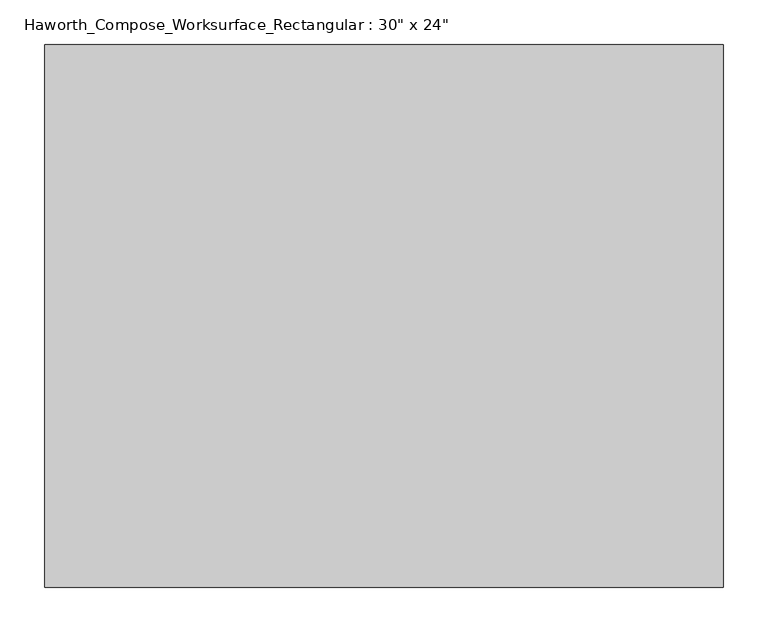
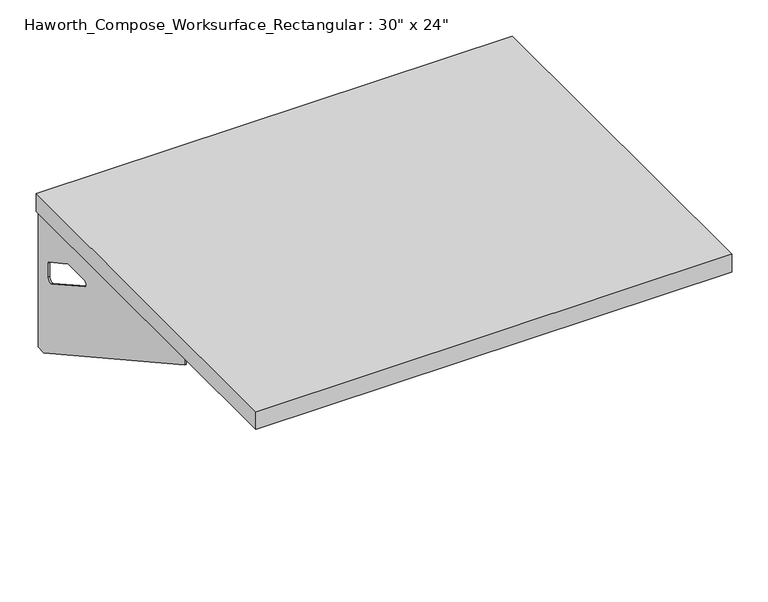
"""IFC4 building model written with IfcOpenShell, lengths in millimetres: furniture geometry."""

import ifcopenshell
import ifcopenshell.guid

model = None  # the IFC model being written
_history = None  # IfcOwnerHistory: only IFC2X3 demands one
_inside = {}  # id of a spatial element -> (the spatial element, [elements in it])
_under = {}  # id of a project, library or spatial element -> (it, [spatial elements below it])
_declared = {}  # id of a project -> (the project, [libraries it declares])
_typed = {}  # id of a type object -> (the type object, [elements of that type])
_made_of = {}  # id of a material, layer set ... -> (it, [elements and type objects made of it])


def new_model(schema):
    """Start an empty IFC model of exactly this schema.

    Asked for "IFC4X3", IfcOpenShell would pick the latest addendum, in which some entities
    have other attributes; the version numbers below select the first issue.
    IFC2X3 requires an IfcOwnerHistory on every rooted entity: one is made here for all.
    """
    global model, _history
    if schema == "IFC4X3":
        model = ifcopenshell.file(schema_version=(4, 3, 0, 0))
    else:
        model = ifcopenshell.file(schema=schema)
    _inside.clear()
    _under.clear()
    _declared.clear()
    _typed.clear()
    _made_of.clear()
    _history = None
    if model.schema == "IFC2X3":
        org = make("IfcOrganization", Name="unknown")
        user = make(
            "IfcPersonAndOrganization",
            ThePerson=make("IfcPerson", FamilyName="unknown"),
            TheOrganization=org,
        )
        app = make(
            "IfcApplication",
            ApplicationDeveloper=org,
            Version="unknown",
            ApplicationFullName="unknown",
            ApplicationIdentifier="unknown",
        )
        _history = make(
            "IfcOwnerHistory",
            OwningUser=user,
            OwningApplication=app,
            ChangeAction="ADDED",
            CreationDate=0,
        )
    return model


def make(cls, **values):
    """One entity of the class cls with the attributes given. An attribute that is None is left unset."""
    return model.create_entity(
        cls, **{name: value for name, value in values.items() if value is not None}
    )


def rooted(cls, **values):
    """An entity with a GlobalId (a new one), such as an element, a storey or a relation."""
    return make(cls, GlobalId=ifcopenshell.guid.new(), OwnerHistory=_history, **values)


def si_unit(unit_type, name, prefix=None):
    """IfcSIUnit, for example si_unit("LENGTHUNIT", "METRE", prefix="MILLI")."""
    return make("IfcSIUnit", UnitType=unit_type, Prefix=prefix, Name=name)


def assignment(units):
    """IfcUnitAssignment: the units of a project."""
    return None if units is None else make("IfcUnitAssignment", Units=units)


def point(xyz):
    """IfcCartesianPoint."""
    return None if xyz is None else make("IfcCartesianPoint", Coordinates=xyz)


def direction(xyz):
    """IfcDirection."""
    return None if xyz is None else make("IfcDirection", DirectionRatios=xyz)


def frame(location, z_axis=None, x_axis=None):
    """IfcAxis2Placement3D, a coordinate frame: its origin and axes. An axis left out is left unset."""
    return make(
        "IfcAxis2Placement3D",
        Location=point(location),
        Axis=direction(z_axis),
        RefDirection=direction(x_axis),
    )


def origin():
    """The frame at (0, 0, 0) with its axes left unset."""
    return frame((0.0, 0.0, 0.0))


def place(relative_to, where):
    """IfcLocalPlacement: puts the frame where relative to a parent placement (None: the world)."""
    return make(
        "IfcLocalPlacement", PlacementRelTo=relative_to, RelativePlacement=where
    )


def context(
    kind, dimensions, precision=None, world=None, true_north=None, identifier=None
):
    """IfcGeometricRepresentationContext, for example the 3D "Model" context."""
    return make(
        "IfcGeometricRepresentationContext",
        ContextIdentifier=identifier,
        ContextType=kind,
        CoordinateSpaceDimension=dimensions,
        Precision=precision,
        WorldCoordinateSystem=world,
        TrueNorth=true_north,
    )


def project(units=None, contexts=None):
    """IfcProject with its units and contexts."""
    return rooted(
        "IfcProject",
        Name="project",
        RepresentationContexts=contexts,
        UnitsInContext=assignment(units),
    )


def spatial(cls, under=None, at=None, **own):
    """A site, building, storey or space (cls), placed at a placement, below another one or the project."""
    s = rooted(cls, ObjectPlacement=at, **own)
    if under is not None:
        _under.setdefault(under.id(), (under, []))[1].append(s)
    return s


def polyline(points):
    """IfcPolyline through the points."""
    return make("IfcPolyline", Points=[point(p) for p in points])


def circle_curve(where, radius):
    """IfcCircle in the frame where."""
    return make("IfcCircle", Position=where, Radius=radius)


def outline(outer, holes=None, kind="AREA"):
    """IfcArbitraryClosedProfileDef: a profile drawn as a closed curve; with holes, ...WithVoids."""
    if holes is None:
        return make("IfcArbitraryClosedProfileDef", ProfileType=kind, OuterCurve=outer)
    return make(
        "IfcArbitraryProfileDefWithVoids",
        ProfileType=kind,
        OuterCurve=outer,
        InnerCurves=holes,
    )


def extrude(swept, where, along, depth):
    """IfcExtrudedAreaSolid: the profile swept, set in the frame where, extruded along a direction by depth."""
    return make(
        "IfcExtrudedAreaSolid",
        SweptArea=swept,
        Position=where,
        ExtrudedDirection=direction(along),
        Depth=depth,
    )


def shape(context_of_items, identifier, shape_type, items):
    """IfcShapeRepresentation: the items that make up one representation, for example the "Body"."""
    return make(
        "IfcShapeRepresentation",
        ContextOfItems=context_of_items,
        RepresentationIdentifier=identifier,
        RepresentationType=shape_type,
        Items=items,
    )


def source(mapping_origin, context_of_items, identifier, shape_type, items):
    """IfcRepresentationMap: a shape defined once, which mapped items show again and again."""
    return make(
        "IfcRepresentationMap",
        MappingOrigin=mapping_origin,
        MappedRepresentation=shape(context_of_items, identifier, shape_type, items),
    )


def transform(
    local_origin,
    x_axis=None,
    y_axis=None,
    z_axis=None,
    scale=None,
    scale2=None,
    scale3=None,
    uniform=True,
):
    """IfcCartesianTransformationOperator3D, or its non-uniform kind. x_axis, y_axis, z_axis: its Axis1, 2, 3."""
    if uniform:
        return make(
            "IfcCartesianTransformationOperator3D",
            Axis1=direction(x_axis),
            Axis2=direction(y_axis),
            LocalOrigin=point(local_origin),
            Scale=scale,
            Axis3=direction(z_axis),
        )
    return make(
        "IfcCartesianTransformationOperator3DnonUniform",
        Axis1=direction(x_axis),
        Axis2=direction(y_axis),
        LocalOrigin=point(local_origin),
        Scale=scale,
        Axis3=direction(z_axis),
        Scale2=scale2,
        Scale3=scale3,
    )


def mapped(mapping_source, mapping_target):
    """IfcMappedItem: shows the shape of a source again, moved by a transform."""
    return make(
        "IfcMappedItem", MappingSource=mapping_source, MappingTarget=mapping_target
    )


def made_of(thing, what):
    """Note that an element or type object is made of a material, layer set ...; save() writes the relation."""
    if what is not None:
        _made_of.setdefault(what.id(), (what, []))[1].append(thing)
    return thing


def element(
    cls,
    number,
    at=None,
    inside=None,
    cuts=None,
    type_object=None,
    material=None,
    context=None,
    identifier="Body",
    shape_type=None,
    held_by="IfcProductDefinitionShape",
    body=None,
    shapes=None,
    **own,
):
    """One element of the class cls, such as IfcWall. Its Tag is "e" and its number.

    at: its placement. inside: the storey or other place that contains it. cuts: it is an
    opening in that element (IfcRelVoidsElement). A single representation is given by context,
    identifier, shape_type and body (its items); several are given by shapes. held_by: the class
    of the entity that holds the representations. save() writes the other relations.
    """
    e = rooted(cls, Tag="e%d" % number, ObjectPlacement=at, **own)
    if body is not None:
        shapes = [shape(context, identifier, shape_type, body)]
    if shapes is not None:
        e.Representation = make(held_by, Representations=shapes)
    if inside is not None:
        _inside.setdefault(inside.id(), (inside, []))[1].append(e)
    if cuts is not None:
        rooted(
            "IfcRelVoidsElement", RelatingBuildingElement=cuts, RelatedOpeningElement=e
        )
    if type_object is not None:
        _typed.setdefault(type_object.id(), (type_object, []))[1].append(e)
    return made_of(e, material)


def aggregate(whole, parts):
    """IfcRelAggregates: a whole, such as a stair, and the parts it consists of."""
    return rooted("IfcRelAggregates", RelatingObject=whole, RelatedObjects=parts)


def save(model, path):
    """Write the relations noted so far, then the file.

    IfcRelAggregates (storeys below a building ...), IfcRelContainedInSpatialStructure (elements
    in a storey), IfcRelDefinesByType, IfcRelAssociatesMaterial and IfcRelDeclares: one each for
    every whole, place, type object, material and project.
    """
    for whole, parts in _under.values():
        aggregate(whole, parts)
    for where, things in _inside.values():
        rooted(
            "IfcRelContainedInSpatialStructure",
            RelatedElements=things,
            RelatingStructure=where,
        )
    for kind, things in _typed.values():
        rooted("IfcRelDefinesByType", RelatedObjects=things, RelatingType=kind)
    for what, things in _made_of.values():
        rooted("IfcRelAssociatesMaterial", RelatedObjects=things, RelatingMaterial=what)
    for by, libraries in _declared.values():
        rooted("IfcRelDeclares", RelatingContext=by, RelatedDefinitions=libraries)
    model.write(path)


def plane_surface(at):
    """IfcPlane: the flat surface through the origin of the frame at, square to its z axis."""
    return make("IfcPlane", Position=at)


def revolved_surface(curve, axis_point, axis_direction):
    """IfcSurfaceOfRevolution: the curve turned about the line through axis_point along axis_direction."""
    return make(
        "IfcSurfaceOfRevolution",
        SweptCurve=make("IfcArbitraryOpenProfileDef", ProfileType="CURVE", Curve=curve),
        AxisPosition=make("IfcAxis1Placement", Location=point(axis_point), Axis=direction(axis_direction)),
    )


def advanced_brep(points, edges, surfaces, faces):
    """IfcAdvancedBrep: a solid bounded by faces that lie on surfaces and meet in shared edges.

    An edge is (start, end): straight between two places in points (the first is 0);
    or (start, end, curve); or (start, end, curve, False) where it runs against its curve.
    A face is (place in surfaces, loops), or (place, loops, False) where it looks against
    its surface's normal. A loop lists edges by number (the first is 1), with a minus sign
    where the edge is run from its end to its start. The first loop is the outer one.
    """
    corners = [point(p) for p in points]
    vertices = [make("IfcVertexPoint", VertexGeometry=c) for c in corners]
    made = []
    for start, end, *more in edges:
        made.append(
            make(
                "IfcEdgeCurve",
                EdgeStart=vertices[start],
                EdgeEnd=vertices[end],
                EdgeGeometry=more[0] if more else make("IfcPolyline", Points=[corners[start], corners[end]]),
                SameSense=more[1] if len(more) > 1 else True,
            )
        )
    hull = []
    for where, loops, *sense in faces:
        bounds = []
        for j, loop in enumerate(loops):
            ring = [make("IfcOrientedEdge", EdgeElement=made[abs(k) - 1], Orientation=k > 0) for k in loop]
            bounds.append(
                make(
                    "IfcFaceOuterBound" if j == 0 else "IfcFaceBound",
                    Bound=make("IfcEdgeLoop", EdgeList=ring),
                    Orientation=True,
                )
            )
        hull.append(make("IfcAdvancedFace", Bounds=bounds, FaceSurface=surfaces[where], SameSense=sense[0] if sense else True))
    return make("IfcAdvancedBrep", Outer=make("IfcClosedShell", CfsFaces=hull))


def furniture_7ed81235(model_context):
    return source(origin(), model_context, "Body", "SolidModel", [
        advanced_brep(
        [(375.44375, 304.8, 475.45625), (375.44375, 288.925, 475.45625), (375.44375, -101.6, 691.7192568), (375.44375, -101.6, 704.05625), (375.44375, 288.925, 704.05625), (375.44375, 304.8, 704.05625), (375.44375, 221.490072, 665.95625), (375.44375, 177.8355284, 665.95625), (375.44375, 175.1564235, 656.3705539), (375.44375, 266.8776173, 605.5776439), (375.44375, 276.225, 611.1756969), (375.44375, 276.225, 634.6860246), (375.44375, 274.4730055, 637.5242776), (375.44375, 224.5663437, 665.1613425), (377.825, 304.8, 475.45625), (377.825, 304.8, 704.05625), (377.825, 288.925, 704.05625), (377.825, 288.925, 706.4375), (377.825, -101.6, 706.4375), (377.825, -101.6, 691.7192568), (377.825, 288.925, 475.45625), (377.825, 221.490072, 665.95625), (377.825, 224.5663437, 665.1613425), (377.825, 274.4730055, 637.5242776), (377.825, 276.225, 634.6860246), (377.825, 276.225, 611.1756969), (377.825, 266.8776173, 605.5776439), (377.825, 175.1564235, 656.3705539), (377.825, 177.8355284, 665.95625), (336.55, -101.6, 706.4375), (336.55, -101.6, 704.05625), (336.55, 288.925, 704.05625), (336.55, 288.925, 706.4375)],
        [
            (0, 1),
            (1, 2),
            (2, 3),
            (3, 4),
            (4, 5),
            (5, 0),
            (6, 7),
            (7, 8, circle_curve(frame((375.44375, 177.8355284, 660.7890106), z_axis=(1.0, 0.0, 0.0), x_axis=(0.0, -1.0, 0.0)), 5.1672394)),
            (8, 9),
            (9, 10, circle_curve(frame((375.44375, 269.875, 611.1756969), z_axis=(1.0, 0.0, 0.0), x_axis=(0.0, -1.0, 0.0)), 6.35)),
            (10, 11),
            (11, 12, circle_curve(frame((375.44375, 273.05, 634.6860246), z_axis=(1.0, 0.0, 0.0), x_axis=(0.0, -1.0, 0.0)), 3.175)),
            (12, 13),
            (13, 6, circle_curve(frame((375.44375, 221.490072, 659.60625), z_axis=(1.0, 0.0, 0.0), x_axis=(0.0, -1.0, 0.0)), 6.35)),
            (14, 15),
            (15, 16),
            (16, 17),
            (17, 18),
            (18, 19),
            (19, 20),
            (20, 14),
            (21, 22, circle_curve(frame((377.825, 221.490072, 659.60625), z_axis=(-1.0, 0.0, 0.0), x_axis=(0.0, -1.0, 0.0)), 6.35)),
            (22, 23),
            (23, 24, circle_curve(frame((377.825, 273.05, 634.6860246), z_axis=(-1.0, 0.0, 0.0), x_axis=(0.0, -1.0, 0.0)), 3.175)),
            (24, 25),
            (25, 26, circle_curve(frame((377.825, 269.875, 611.1756969), z_axis=(-1.0, 0.0, 0.0), x_axis=(0.0, -1.0, 0.0)), 6.35)),
            (26, 27),
            (27, 28, circle_curve(frame((377.825, 177.8355284, 660.7890106), z_axis=(-1.0, 0.0, 0.0), x_axis=(0.0, -1.0, 0.0)), 5.1672394)),
            (28, 21),
            (4, 16),
            (15, 5),
            (14, 0),
            (20, 1),
            (19, 2),
            (18, 29),
            (29, 30),
            (30, 3),
            (6, 21),
            (28, 7),
            (9, 26),
            (25, 10),
            (24, 11),
            (23, 12),
            (27, 8),
            (31, 4),
            (30, 31),
            (32, 29),
            (17, 32),
            (31, 32),
            (22, 13),
        ],
        [
            plane_surface(frame((375.44375, 304.8, 475.45625), z_axis=(-1.0, 0.0, 0.0), x_axis=(0.0, 1.0, 0.0))),
            plane_surface(frame((377.825, 304.8, 475.45625), z_axis=(1.0, 0.0, 0.0), x_axis=(0.0, -1.0, 0.0))),
            plane_surface(frame((377.825, -101.6, 704.05625), z_axis=(0.0, 0.0, 1.0), x_axis=(-1.0, 0.0, 0.0))),
            plane_surface(frame((377.825, 304.8, 704.05625), z_axis=(0.0, 1.0, 0.0), x_axis=(-1.0, 0.0, 0.0))),
            plane_surface(frame((377.825, 304.8, 475.45625), z_axis=(0.0, 0.0, -1.0), x_axis=(-1.0, 0.0, 0.0))),
            plane_surface(frame((377.825, 288.925, 475.45625), z_axis=(0.0, -0.48445223513455843, -0.8748177135112952), x_axis=(-1.0, 0.0, 0.0))),
            plane_surface(frame((377.825, -101.6, 691.7192568), z_axis=(0.0, -1.0, 0.0), x_axis=(-1.0, 0.0, 0.0))),
            plane_surface(frame((377.825, 221.490072, 665.95625), z_axis=(0.0, 0.0, -1.0), x_axis=(-1.0, 0.0, 0.0))),
            revolved_surface(polyline([(375.44375, 263.525, 611.1756969), (377.825, 263.525, 611.1756969)]), (377.825, 269.875, 611.1756969), (-1.0, 0.0, 0.0)),
            plane_surface(frame((377.825, 276.225, 611.1756969), z_axis=(0.0, -1.0, 0.0), x_axis=(-1.0, 0.0, 0.0))),
            revolved_surface(polyline([(375.44375, 269.875, 634.6860246), (377.825, 269.875, 634.6860246)]), (377.825, 273.05, 634.6860246), (-1.0, 0.0, 0.0)),
            revolved_surface(polyline([(375.44375, 172.668289, 660.7890106), (377.825, 172.668289, 660.7890106)]), (377.825, 177.8355284, 660.7890106), (-1.0, 0.0, 0.0)),
            plane_surface(frame((377.825, 288.925, 704.05625), z_axis=(0.0, 0.0, -1.0), x_axis=(-1.0, 0.0, 0.0))),
            plane_surface(frame((377.825, 288.925, 706.4375), z_axis=(0.0, 0.0, 1.0), x_axis=(1.0, 0.0, 0.0))),
            plane_surface(frame((336.55, 288.925, 706.4375), z_axis=(0.0, 1.0, 0.0), x_axis=(0.0, 0.0, -1.0))),
            plane_surface(frame((336.55, -101.6, 706.4375), z_axis=(-1.0, 0.0, 0.0), x_axis=(0.0, 0.0, -1.0))),
            plane_surface(frame((377.825, 175.1564235, 656.3705539), z_axis=(0.0, 0.4844522351345583, 0.8748177135112953), x_axis=(-1.0, 0.0, 0.0))),
            plane_surface(frame((377.825, 274.4730055, 637.5242776), z_axis=(0.0, -0.4844522351345582, -0.8748177135112953), x_axis=(-1.0, 0.0, 0.0))),
            revolved_surface(polyline([(375.44375, 215.140072, 659.60625), (377.825, 215.140072, 659.60625)]), (377.825, 221.490072, 659.60625), (-1.0, 0.0, 0.0)),
        ],
        [
            (0, [[1, 2, 3, 4, 5, 6], [7, 8, 9, 10, 11, 12, 13, 14]]),
            (1, [[15, 16, 17, 18, 19, 20, 21], [22, 23, 24, 25, 26, 27, 28, 29]]),
            (2, [[-5, 30, -16, 31]]),
            (3, [[-31, -15, 32, -6]]),
            (4, [[-32, -21, 33, -1]]),
            (5, [[-33, -20, 34, -2]]),
            (6, [[-34, -19, 35, 36, 37, -3]]),
            (7, [[38, -29, 39, -7]]),
            (8, [[40, -26, 41, -10]]),
            (9, [[-41, -25, 42, -11]]),
            (10, [[-42, -24, 43, -12]]),
            (11, [[-39, -28, 44, -8]]),
            (12, [[45, -4, -37, 46]]),
            (13, [[47, -35, -18, 48]]),
            (14, [[-17, -30, -45, 49, -48]]),
            (15, [[-36, -47, -49, -46]]),
            (16, [[-44, -27, -40, -9]]),
            (17, [[-43, -23, 50, -13]]),
            (18, [[-50, -22, -38, -14]]),
        ],
    ),
        advanced_brep(
        [(-375.44375, 304.8, 475.45625), (-375.44375, 304.8, 704.05625), (-375.44375, 288.925, 704.05625), (-375.44375, -101.6, 704.05625), (-375.44375, -101.6, 691.7192568), (-375.44375, 288.925, 475.45625), (-375.44375, 221.490072, 665.95625), (-375.44375, 224.5663437, 665.1613425), (-375.44375, 274.4730055, 637.5242776), (-375.44375, 276.225, 634.6860246), (-375.44375, 276.225, 611.1756969), (-375.44375, 266.8776173, 605.5776439), (-375.44375, 175.1564235, 656.3705539), (-375.44375, 177.8355284, 665.95625), (-377.825, 304.8, 475.45625), (-377.825, 288.925, 475.45625), (-377.825, -101.6, 691.7192568), (-377.825, -101.6, 706.4375), (-377.825, 288.925, 706.4375), (-377.825, 288.925, 704.05625), (-377.825, 304.8, 704.05625), (-377.825, 221.490072, 665.95625), (-377.825, 177.8355284, 665.95625), (-377.825, 175.1564235, 656.3705539), (-377.825, 266.8776173, 605.5776439), (-377.825, 276.225, 611.1756969), (-377.825, 276.225, 634.6860246), (-377.825, 274.4730055, 637.5242776), (-377.825, 224.5663437, 665.1613425), (-336.55, -101.6, 704.05625), (-336.55, -101.6, 706.4375), (-336.55, 288.925, 704.05625), (-336.55, 288.925, 706.4375)],
        [
            (0, 1),
            (1, 2),
            (2, 3),
            (3, 4),
            (4, 5),
            (5, 0),
            (6, 7, circle_curve(frame((-375.44375, 221.490072, 659.60625), z_axis=(-1.0, 0.0, 0.0), x_axis=(0.0, -1.0, 0.0)), 6.35)),
            (7, 8),
            (8, 9, circle_curve(frame((-375.44375, 273.05, 634.6860246), z_axis=(-1.0, 0.0, 0.0), x_axis=(0.0, -1.0, 0.0)), 3.175)),
            (9, 10),
            (10, 11, circle_curve(frame((-375.44375, 269.875, 611.1756969), z_axis=(-1.0, 0.0, 0.0), x_axis=(0.0, -1.0, 0.0)), 6.35)),
            (11, 12),
            (12, 13, circle_curve(frame((-375.44375, 177.8355284, 660.7890106), z_axis=(-1.0, 0.0, 0.0), x_axis=(0.0, -1.0, 0.0)), 5.1672394)),
            (13, 6),
            (14, 15),
            (15, 16),
            (16, 17),
            (17, 18),
            (18, 19),
            (19, 20),
            (20, 14),
            (21, 22),
            (22, 23, circle_curve(frame((-377.825, 177.8355284, 660.7890106), z_axis=(1.0, 0.0, 0.0), x_axis=(0.0, -1.0, 0.0)), 5.1672394)),
            (23, 24),
            (24, 25, circle_curve(frame((-377.825, 269.875, 611.1756969), z_axis=(1.0, 0.0, 0.0), x_axis=(0.0, -1.0, 0.0)), 6.35)),
            (25, 26),
            (26, 27, circle_curve(frame((-377.825, 273.05, 634.6860246), z_axis=(1.0, 0.0, 0.0), x_axis=(0.0, -1.0, 0.0)), 3.175)),
            (27, 28),
            (28, 21, circle_curve(frame((-377.825, 221.490072, 659.60625), z_axis=(1.0, 0.0, 0.0), x_axis=(0.0, -1.0, 0.0)), 6.35)),
            (1, 20),
            (19, 2),
            (0, 14),
            (5, 15),
            (4, 16),
            (3, 29),
            (29, 30),
            (30, 17),
            (13, 22),
            (21, 6),
            (10, 25),
            (24, 11),
            (9, 26),
            (8, 27),
            (12, 23),
            (31, 29),
            (2, 31),
            (32, 18),
            (30, 32),
            (32, 31),
            (7, 28),
        ],
        [
            plane_surface(frame((-375.44375, 304.8, 475.45625), z_axis=(1.0, 0.0, 0.0), x_axis=(0.0, 1.0, 0.0))),
            plane_surface(frame((-377.825, 304.8, 475.45625), z_axis=(-1.0, 0.0, 0.0), x_axis=(0.0, -1.0, 0.0))),
            plane_surface(frame((-377.825, -101.6, 704.05625), z_axis=(0.0, 0.0, 1.0), x_axis=(1.0, 0.0, 0.0))),
            plane_surface(frame((-377.825, 304.8, 704.05625), z_axis=(0.0, 1.0, 0.0), x_axis=(1.0, 0.0, 0.0))),
            plane_surface(frame((-377.825, 304.8, 475.45625), z_axis=(0.0, 0.0, -1.0), x_axis=(1.0, 0.0, 0.0))),
            plane_surface(frame((-377.825, 288.925, 475.45625), z_axis=(0.0, -0.48445223513455843, -0.8748177135112952), x_axis=(1.0, 0.0, 0.0))),
            plane_surface(frame((-377.825, -101.6, 691.7192568), z_axis=(0.0, -1.0, 0.0), x_axis=(1.0, 0.0, 0.0))),
            plane_surface(frame((-377.825, 221.490072, 665.95625), z_axis=(0.0, 0.0, -1.0), x_axis=(1.0, 0.0, 0.0))),
            revolved_surface(polyline([(-375.44375, 263.525, 611.1756969), (-377.825, 263.525, 611.1756969)]), (-377.825, 269.875, 611.1756969), (1.0, 0.0, 0.0)),
            plane_surface(frame((-377.825, 276.225, 611.1756969), z_axis=(0.0, -1.0, 0.0), x_axis=(1.0, 0.0, 0.0))),
            revolved_surface(polyline([(-375.44375, 269.875, 634.6860246), (-377.825, 269.875, 634.6860246)]), (-377.825, 273.05, 634.6860246), (1.0, 0.0, 0.0)),
            revolved_surface(polyline([(-375.44375, 172.668289, 660.7890106), (-377.825, 172.668289, 660.7890106)]), (-377.825, 177.8355284, 660.7890106), (1.0, 0.0, 0.0)),
            plane_surface(frame((-377.825, 288.925, 704.05625), z_axis=(0.0, 0.0, -1.0), x_axis=(1.0, 0.0, 0.0))),
            plane_surface(frame((-377.825, 288.925, 706.4375), z_axis=(0.0, 0.0, 1.0), x_axis=(-1.0, 0.0, 0.0))),
            plane_surface(frame((-336.55, 288.925, 706.4375), z_axis=(0.0, 1.0, 0.0), x_axis=(0.0, 0.0, -1.0))),
            plane_surface(frame((-336.55, -101.6, 706.4375), z_axis=(1.0, 0.0, 0.0), x_axis=(0.0, 0.0, -1.0))),
            plane_surface(frame((-377.825, 175.1564235, 656.3705539), z_axis=(0.0, 0.4844522351345583, 0.8748177135112953), x_axis=(1.0, 0.0, 0.0))),
            plane_surface(frame((-377.825, 274.4730055, 637.5242776), z_axis=(0.0, -0.4844522351345582, -0.8748177135112953), x_axis=(1.0, 0.0, 0.0))),
            revolved_surface(polyline([(-375.44375, 215.140072, 659.60625), (-377.825, 215.140072, 659.60625)]), (-377.825, 221.490072, 659.60625), (1.0, 0.0, 0.0)),
        ],
        [
            (0, [[1, 2, 3, 4, 5, 6], [7, 8, 9, 10, 11, 12, 13, 14]]),
            (1, [[15, 16, 17, 18, 19, 20, 21], [22, 23, 24, 25, 26, 27, 28, 29]]),
            (2, [[30, -20, 31, -2]]),
            (3, [[-1, 32, -21, -30]]),
            (4, [[-6, 33, -15, -32]]),
            (5, [[-5, 34, -16, -33]]),
            (6, [[-4, 35, 36, 37, -17, -34]]),
            (7, [[-14, 38, -22, 39]]),
            (8, [[-11, 40, -25, 41]]),
            (9, [[-10, 42, -26, -40]]),
            (10, [[-9, 43, -27, -42]]),
            (11, [[-13, 44, -23, -38]]),
            (12, [[45, -35, -3, 46]]),
            (13, [[47, -18, -37, 48]]),
            (14, [[-47, 49, -46, -31, -19]]),
            (15, [[-45, -49, -48, -36]]),
            (16, [[-12, -41, -24, -44]]),
            (17, [[-8, 50, -28, -43]]),
            (18, [[-7, -39, -29, -50]]),
        ],
    ),
        extrude(outline(polyline([(381.0, 304.8), (381.0, -304.8), (-381.0, -304.8), (-381.0, 304.8), (381.0, 304.8)])), frame((0.0, 0.0, 706.4375), z_axis=(0.0, 0.0, 1.0), x_axis=(1.0, 0.0, 0.0)), (0.0, 0.0, 1.0), 30.1625),
    ])


if __name__ == "__main__":
    model = new_model("IFC4")
    model_context = context("Model", 3, world=origin())
    ifc_project = project(units=[si_unit("LENGTHUNIT", "METRE", prefix="MILLI")], contexts=[model_context])
    site = spatial("IfcSite", under=ifc_project)
    building = spatial("IfcBuilding", under=site)
    placement = place(None, origin())
    furniture_shape = furniture_7ed81235(model_context)
    element("IfcFurniture", 1, ObjectType="Haworth_Compose_Worksurface_Rectangular : 30\" x 24\"", at=placement, inside=building, context=model_context, shape_type="MappedRepresentation", body=[
        mapped(furniture_shape, transform((0.0, 0.0, 0.0), x_axis=(1.0, 0.0, 0.0), y_axis=(0.0, 1.0, 0.0), z_axis=(0.0, 0.0, 1.0))),
    ])
    save(model, "model.ifc")
